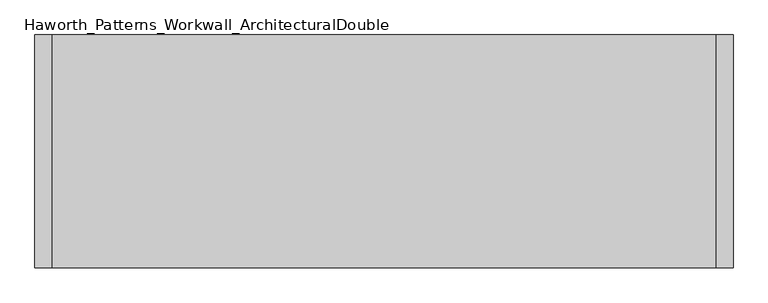
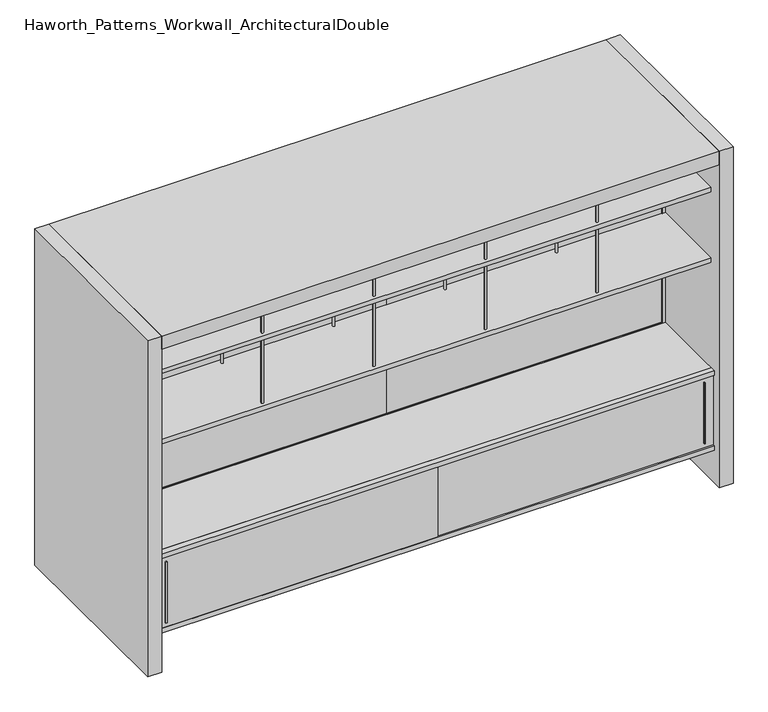
"""IFC4 building model written with IfcOpenShell, lengths in millimetres: furniture geometry, Haworth_Patterns_Workwall_ArchitecturalDouble."""

from ifc_helpers import new_model, si_unit, point, frame, frame_2d, origin, origin_with_axes, place, context, project, spatial, polyline, circle_curve, trimmed, segment, composite_curve, outline, extrude, source, transform, mapped, element, save


def haworth_patterns_workwall_architecturaldouble_f4a0c458(model_context):
    return source(origin(), model_context, "Body", "SweptSolid", [
        extrude(outline(polyline([(-609.6, 333.375), (-2133.6, 333.375), (-2133.6, 352.425), (-609.6, 352.425), (-609.6, 333.375)])), frame((0.0, 0.0, 635.0), z_axis=(0.0, 0.0, 1.0), x_axis=(1.0, 0.0, 0.0)), (0.0, 0.0, 1.0), 1231.9),
        extrude(outline(polyline([(914.4, 333.375), (-609.6, 333.375), (-609.6, 352.425), (914.4, 352.425), (914.4, 333.375)])), frame((0.0, 0.0, 635.0), z_axis=(0.0, 0.0, 1.0), x_axis=(1.0, 0.0, 0.0)), (0.0, 0.0, 1.0), 1231.9),
        extrude(outline(composite_curve([segment(trimmed(circle_curve(frame_2d((-304.8, -76.2)), 6.35), [point((-311.15, -76.2))], [point((-298.45, -76.2))], False, "CARTESIAN"), True, "CONTINUOUS"), segment(trimmed(circle_curve(frame_2d((-304.8, -76.2)), 6.35), [point((-298.45, -76.2))], [point((-311.15, -76.2))], False, "CARTESIAN"), True, "CONTINUOUS")], self_intersect=False)), frame((0.0, 0.0, 1282.7), z_axis=(0.0, 0.0, 1.0), x_axis=(1.0, 0.0, 0.0)), (0.0, 0.0, 1.0), 381.0),
        extrude(outline(composite_curve([segment(trimmed(circle_curve(frame_2d((-304.8, 304.8)), 6.35), [point((-311.15, 304.8))], [point((-298.45, 304.8))], False, "CARTESIAN"), True, "CONTINUOUS"), segment(trimmed(circle_curve(frame_2d((-304.8, 304.8)), 6.35), [point((-298.45, 304.8))], [point((-311.15, 304.8))], False, "CARTESIAN"), True, "CONTINUOUS")], self_intersect=False)), frame((0.0, 0.0, 1282.7), z_axis=(0.0, 0.0, 1.0), x_axis=(1.0, 0.0, 0.0)), (0.0, 0.0, 1.0), 381.0),
        extrude(outline(composite_curve([segment(trimmed(circle_curve(frame_2d((-914.4, -76.2)), 6.35), [point((-920.75, -76.2))], [point((-908.05, -76.2))], False, "CARTESIAN"), True, "CONTINUOUS"), segment(trimmed(circle_curve(frame_2d((-914.4, -76.2)), 6.35), [point((-908.05, -76.2))], [point((-920.75, -76.2))], False, "CARTESIAN"), True, "CONTINUOUS")], self_intersect=False)), frame((0.0, 0.0, 1282.7), z_axis=(0.0, 0.0, 1.0), x_axis=(1.0, 0.0, 0.0)), (0.0, 0.0, 1.0), 381.0),
        extrude(outline(composite_curve([segment(trimmed(circle_curve(frame_2d((-914.4, 304.8)), 6.35), [point((-920.75, 304.8))], [point((-908.05, 304.8))], False, "CARTESIAN"), True, "CONTINUOUS"), segment(trimmed(circle_curve(frame_2d((-914.4, 304.8)), 6.35), [point((-908.05, 304.8))], [point((-920.75, 304.8))], False, "CARTESIAN"), True, "CONTINUOUS")], self_intersect=False)), frame((0.0, 0.0, 1282.7), z_axis=(0.0, 0.0, 1.0), x_axis=(1.0, 0.0, 0.0)), (0.0, 0.0, 1.0), 381.0),
        extrude(outline(composite_curve([segment(trimmed(circle_curve(frame_2d((304.8, -76.2)), 6.35), [point((298.45, -76.2))], [point((311.15, -76.2))], False, "CARTESIAN"), True, "CONTINUOUS"), segment(trimmed(circle_curve(frame_2d((304.8, -76.2)), 6.35), [point((311.15, -76.2))], [point((298.45, -76.2))], False, "CARTESIAN"), True, "CONTINUOUS")], self_intersect=False)), frame((0.0, 0.0, 1282.7), z_axis=(0.0, 0.0, 1.0), x_axis=(1.0, 0.0, 0.0)), (0.0, 0.0, 1.0), 381.0),
        extrude(outline(composite_curve([segment(trimmed(circle_curve(frame_2d((304.8, 304.8)), 6.35), [point((298.45, 304.8))], [point((311.15, 304.8))], False, "CARTESIAN"), True, "CONTINUOUS"), segment(trimmed(circle_curve(frame_2d((304.8, 304.8)), 6.35), [point((311.15, 304.8))], [point((298.45, 304.8))], False, "CARTESIAN"), True, "CONTINUOUS")], self_intersect=False)), frame((0.0, 0.0, 1282.7), z_axis=(0.0, 0.0, 1.0), x_axis=(1.0, 0.0, 0.0)), (0.0, 0.0, 1.0), 381.0),
        extrude(outline(composite_curve([segment(trimmed(circle_curve(frame_2d((-1524.0, -76.2)), 6.35), [point((-1530.35, -76.2))], [point((-1517.65, -76.2))], False, "CARTESIAN"), True, "CONTINUOUS"), segment(trimmed(circle_curve(frame_2d((-1524.0, -76.2)), 6.35), [point((-1517.65, -76.2))], [point((-1530.35, -76.2))], False, "CARTESIAN"), True, "CONTINUOUS")], self_intersect=False)), frame((0.0, 0.0, 1282.7), z_axis=(0.0, 0.0, 1.0), x_axis=(1.0, 0.0, 0.0)), (0.0, 0.0, 1.0), 381.0),
        extrude(outline(composite_curve([segment(trimmed(circle_curve(frame_2d((-1524.0, 304.8)), 6.35), [point((-1530.35, 304.8))], [point((-1517.65, 304.8))], False, "CARTESIAN"), True, "CONTINUOUS"), segment(trimmed(circle_curve(frame_2d((-1524.0, 304.8)), 6.35), [point((-1517.65, 304.8))], [point((-1530.35, 304.8))], False, "CARTESIAN"), True, "CONTINUOUS")], self_intersect=False)), frame((0.0, 0.0, 1282.7), z_axis=(0.0, 0.0, 1.0), x_axis=(1.0, 0.0, 0.0)), (0.0, 0.0, 1.0), 381.0),
        extrude(outline(polyline([(914.4, 330.2), (914.4, -101.6), (-2133.6, -101.6), (-2133.6, 330.2), (914.4, 330.2)])), frame((0.0, 0.0, 1257.3), z_axis=(0.0, 0.0, 1.0), x_axis=(1.0, 0.0, 0.0)), (0.0, 0.0, 1.0), 25.4),
        extrude(outline(polyline([(866.7750004, -130.1749879), (860.4249996, -130.1749879), (858.8375011, -117.475), (868.3624989, -117.475), (866.7750004, -130.1749879)])), frame((0.0, 0.0, 242.8875), z_axis=(0.0, 0.0, 1.0), x_axis=(1.0, 0.0, 0.0)), (0.0, 0.0, 1.0), 352.425),
        extrude(outline(polyline([(-2079.6249996, -136.5249879), (-2085.9750004, -136.5249879), (-2087.5624989, -123.825), (-2078.0375011, -123.825), (-2079.6249996, -136.5249879)])), frame((0.0, 0.0, 242.8875), z_axis=(0.0, 0.0, 1.0), x_axis=(1.0, 0.0, 0.0)), (0.0, 0.0, 1.0), 352.425),
        extrude(outline(polyline([(914.4, -101.6), (914.4, -133.35), (-2133.6, -133.35), (-2133.6, -101.6), (914.4, -101.6)])), frame((0.0, 0.0, 190.5), z_axis=(0.0, 0.0, 1.0), x_axis=(1.0, 0.0, 0.0)), (0.0, 0.0, 1.0), 25.4),
        extrude(outline(polyline([(914.4, -101.6), (914.4, -133.35), (-2133.6, -133.35), (-2133.6, -101.6), (914.4, -101.6)])), frame((0.0, 0.0, 622.3), z_axis=(0.0, 0.0, 1.0), x_axis=(1.0, 0.0, 0.0)), (0.0, 0.0, 1.0), 25.4),
        extrude(outline(polyline([(-2133.6, -123.825), (-596.9, -123.825), (-596.9, -130.175), (-2133.6, -130.175), (-2133.6, -123.825)])), frame((0.0, 0.0, 215.9), z_axis=(0.0, 0.0, 1.0), x_axis=(1.0, 0.0, 0.0)), (0.0, 0.0, 1.0), 406.4),
        extrude(outline(polyline([(-622.3, -117.475), (914.4, -117.475), (914.4, -123.825), (-622.3, -123.825), (-622.3, -117.475)])), frame((0.0, 0.0, 215.9), z_axis=(0.0, 0.0, 1.0), x_axis=(1.0, 0.0, 0.0)), (0.0, 0.0, 1.0), 406.4),
        extrude(outline(polyline([(-295.275, -101.6), (-314.325, -101.6), (-314.325, 330.2), (-295.275, 330.2), (-295.275, -101.6)])), frame((0.0, 0.0, 215.9), z_axis=(0.0, 0.0, 1.0), x_axis=(1.0, 0.0, 0.0)), (0.0, 0.0, 1.0), 406.4),
        extrude(outline(polyline([(-904.875, -101.6), (-923.925, -101.6), (-923.925, 330.2), (-904.875, 330.2), (-904.875, -101.6)])), frame((0.0, 0.0, 215.9), z_axis=(0.0, 0.0, 1.0), x_axis=(1.0, 0.0, 0.0)), (0.0, 0.0, 1.0), 406.4),
        extrude(outline(polyline([(314.325, -101.6), (295.275, -101.6), (295.275, 330.2), (314.325, 330.2), (314.325, -101.6)])), frame((0.0, 0.0, 215.9), z_axis=(0.0, 0.0, 1.0), x_axis=(1.0, 0.0, 0.0)), (0.0, 0.0, 1.0), 406.4),
        extrude(outline(polyline([(-1514.475, -101.6), (-1533.525, -101.6), (-1533.525, 330.2), (-1514.475, 330.2), (-1514.475, -101.6)])), frame((0.0, 0.0, 215.9), z_axis=(0.0, 0.0, 1.0), x_axis=(1.0, 0.0, 0.0)), (0.0, 0.0, 1.0), 406.4),
        extrude(outline(polyline([(914.4, 330.2), (914.4, -101.6), (-2133.6, -101.6), (-2133.6, 330.2), (914.4, 330.2)])), frame((0.0, 0.0, 622.3), z_axis=(0.0, 0.0, 1.0), x_axis=(1.0, 0.0, 0.0)), (0.0, 0.0, 1.0), 25.4),
        extrude(outline(polyline([(-101.6, 215.9), (330.2, 215.9), (330.2, 190.5), (123.825, 190.5), (123.825, 0.0), (104.775, 0.0), (104.775, 190.5), (-101.6, 190.5), (-101.6, 215.9)])), frame((-2133.6, 0.0, 0.0), z_axis=(1.0, 0.0, 0.0), x_axis=(0.0, 1.0, 0.0)), (0.0, 0.0, 1.0), 3048.0),
        extrude(outline(composite_curve([segment(trimmed(circle_curve(frame_2d((-304.8, -76.2)), 6.35), [point((-311.15, -76.2))], [point((-298.45, -76.2))], False, "CARTESIAN"), True, "CONTINUOUS"), segment(trimmed(circle_curve(frame_2d((-304.8, -76.2)), 6.35), [point((-298.45, -76.2))], [point((-311.15, -76.2))], False, "CARTESIAN"), True, "CONTINUOUS")], self_intersect=False)), frame((0.0, 0.0, 1689.1), z_axis=(0.0, 0.0, 1.0), x_axis=(1.0, 0.0, 0.0)), (0.0, 0.0, 1.0), 177.8),
        extrude(outline(composite_curve([segment(trimmed(circle_curve(frame_2d((-304.8, 304.8)), 6.35), [point((-311.15, 304.8))], [point((-298.45, 304.8))], False, "CARTESIAN"), True, "CONTINUOUS"), segment(trimmed(circle_curve(frame_2d((-304.8, 304.8)), 6.35), [point((-298.45, 304.8))], [point((-311.15, 304.8))], False, "CARTESIAN"), True, "CONTINUOUS")], self_intersect=False)), frame((0.0, 0.0, 1689.1), z_axis=(0.0, 0.0, 1.0), x_axis=(1.0, 0.0, 0.0)), (0.0, 0.0, 1.0), 177.8),
        extrude(outline(composite_curve([segment(trimmed(circle_curve(frame_2d((-914.4, -76.2)), 6.35), [point((-920.75, -76.2))], [point((-908.05, -76.2))], False, "CARTESIAN"), True, "CONTINUOUS"), segment(trimmed(circle_curve(frame_2d((-914.4, -76.2)), 6.35), [point((-908.05, -76.2))], [point((-920.75, -76.2))], False, "CARTESIAN"), True, "CONTINUOUS")], self_intersect=False)), frame((0.0, 0.0, 1689.1), z_axis=(0.0, 0.0, 1.0), x_axis=(1.0, 0.0, 0.0)), (0.0, 0.0, 1.0), 177.8),
        extrude(outline(composite_curve([segment(trimmed(circle_curve(frame_2d((-914.4, 304.8)), 6.35), [point((-920.75, 304.8))], [point((-908.05, 304.8))], False, "CARTESIAN"), True, "CONTINUOUS"), segment(trimmed(circle_curve(frame_2d((-914.4, 304.8)), 6.35), [point((-908.05, 304.8))], [point((-920.75, 304.8))], False, "CARTESIAN"), True, "CONTINUOUS")], self_intersect=False)), frame((0.0, 0.0, 1689.1), z_axis=(0.0, 0.0, 1.0), x_axis=(1.0, 0.0, 0.0)), (0.0, 0.0, 1.0), 177.8),
        extrude(outline(composite_curve([segment(trimmed(circle_curve(frame_2d((304.8, -76.2)), 6.35), [point((298.45, -76.2))], [point((311.15, -76.2))], False, "CARTESIAN"), True, "CONTINUOUS"), segment(trimmed(circle_curve(frame_2d((304.8, -76.2)), 6.35), [point((311.15, -76.2))], [point((298.45, -76.2))], False, "CARTESIAN"), True, "CONTINUOUS")], self_intersect=False)), frame((0.0, 0.0, 1689.1), z_axis=(0.0, 0.0, 1.0), x_axis=(1.0, 0.0, 0.0)), (0.0, 0.0, 1.0), 177.8),
        extrude(outline(composite_curve([segment(trimmed(circle_curve(frame_2d((304.8, 304.8)), 6.35), [point((298.45, 304.8))], [point((311.15, 304.8))], False, "CARTESIAN"), True, "CONTINUOUS"), segment(trimmed(circle_curve(frame_2d((304.8, 304.8)), 6.35), [point((311.15, 304.8))], [point((298.45, 304.8))], False, "CARTESIAN"), True, "CONTINUOUS")], self_intersect=False)), frame((0.0, 0.0, 1689.1), z_axis=(0.0, 0.0, 1.0), x_axis=(1.0, 0.0, 0.0)), (0.0, 0.0, 1.0), 177.8),
        extrude(outline(composite_curve([segment(trimmed(circle_curve(frame_2d((-1524.0, -76.2)), 6.35), [point((-1530.35, -76.2))], [point((-1517.65, -76.2))], False, "CARTESIAN"), True, "CONTINUOUS"), segment(trimmed(circle_curve(frame_2d((-1524.0, -76.2)), 6.35), [point((-1517.65, -76.2))], [point((-1530.35, -76.2))], False, "CARTESIAN"), True, "CONTINUOUS")], self_intersect=False)), frame((0.0, 0.0, 1689.1), z_axis=(0.0, 0.0, 1.0), x_axis=(1.0, 0.0, 0.0)), (0.0, 0.0, 1.0), 177.8),
        extrude(outline(composite_curve([segment(trimmed(circle_curve(frame_2d((-1524.0, 304.8)), 6.35), [point((-1530.35, 304.8))], [point((-1517.65, 304.8))], False, "CARTESIAN"), True, "CONTINUOUS"), segment(trimmed(circle_curve(frame_2d((-1524.0, 304.8)), 6.35), [point((-1517.65, 304.8))], [point((-1530.35, 304.8))], False, "CARTESIAN"), True, "CONTINUOUS")], self_intersect=False)), frame((0.0, 0.0, 1689.1), z_axis=(0.0, 0.0, 1.0), x_axis=(1.0, 0.0, 0.0)), (0.0, 0.0, 1.0), 177.8),
        extrude(outline(polyline([(914.4, 330.2), (914.4, -101.6), (-2133.6, -101.6), (-2133.6, 330.2), (914.4, 330.2)])), frame((0.0, 0.0, 1663.7), z_axis=(0.0, 0.0, 1.0), x_axis=(1.0, 0.0, 0.0)), (0.0, 0.0, 1.0), 25.4),
        extrude(outline(polyline([(-2133.6, 889.0), (-2133.6, -177.8), (-2209.8, -177.8), (-2209.8, 889.0), (-2133.6, 889.0)])), origin_with_axes(), (0.0, 0.0, 1.0), 1943.1),
        extrude(outline(polyline([(990.6, -177.8), (914.4, -177.8), (914.4, 889.0), (990.6, 889.0), (990.6, -177.8)])), origin_with_axes(), (0.0, 0.0, 1.0), 1943.1),
        extrude(outline(polyline([(1866.9, 914.4), (1866.9, -2133.6), (635.0, -2133.6), (635.0, 914.4), (1866.9, 914.4)]), holes=[polyline([(1847.85, 895.35), (654.05, 895.35), (654.05, -2114.55), (1847.85, -2114.55), (1847.85, 895.35)])]), frame((0.0, 330.2, 0.0), z_axis=(0.0, 1.0, 0.0), x_axis=(0.0, 0.0, 1.0)), (0.0, 0.0, 1.0), 25.4),
        extrude(outline(polyline([(895.35, 330.2), (-2114.55, 330.2), (-2114.55, 355.6), (895.35, 355.6), (895.35, 330.2)])), frame((0.0, 0.0, 114.3), z_axis=(0.0, 0.0, 1.0), x_axis=(1.0, 0.0, 0.0)), (0.0, 0.0, 1.0), 495.3),
        extrude(outline(polyline([(635.0, 914.4), (635.0, -2133.6), (0.0, -2133.6), (0.0, 914.4), (635.0, 914.4)]), holes=[polyline([(609.6, 895.35), (114.3, 895.35), (114.3, -2114.55), (609.6, -2114.55), (609.6, 895.35)])]), frame((0.0, 330.2, 0.0), z_axis=(0.0, 1.0, 0.0), x_axis=(0.0, 0.0, 1.0)), (0.0, 0.0, 1.0), 25.4),
        extrude(outline(polyline([(914.4, -177.8), (-2133.6, -177.8), (-2133.6, 889.0), (914.4, 889.0), (914.4, -177.8)])), frame((0.0, 0.0, 1866.9), z_axis=(0.0, 0.0, 1.0), x_axis=(1.0, 0.0, 0.0)), (0.0, 0.0, 1.0), 76.2),
    ])


if __name__ == "__main__":
    model = new_model("IFC4")
    model_context = context("Model", 3, world=origin())
    ifc_project = project(units=[si_unit("LENGTHUNIT", "METRE", prefix="MILLI")], contexts=[model_context])
    site = spatial("IfcSite", under=ifc_project)
    building = spatial("IfcBuilding", under=site)
    placement = place(None, origin())
    haworth_patterns_workwall_architecturaldouble_shape = haworth_patterns_workwall_architecturaldouble_f4a0c458(model_context)
    element("IfcFurniture", 1, ObjectType="Haworth_Patterns_Workwall_ArchitecturalDouble", at=placement, inside=building, context=model_context, shape_type="MappedRepresentation", body=[
        mapped(haworth_patterns_workwall_architecturaldouble_shape, transform((0.0, 0.0, 0.0), x_axis=(1.0, 0.0, 0.0), y_axis=(0.0, 1.0, 0.0), z_axis=(0.0, 0.0, 1.0))),
    ])
    save(model, "model.ifc")
